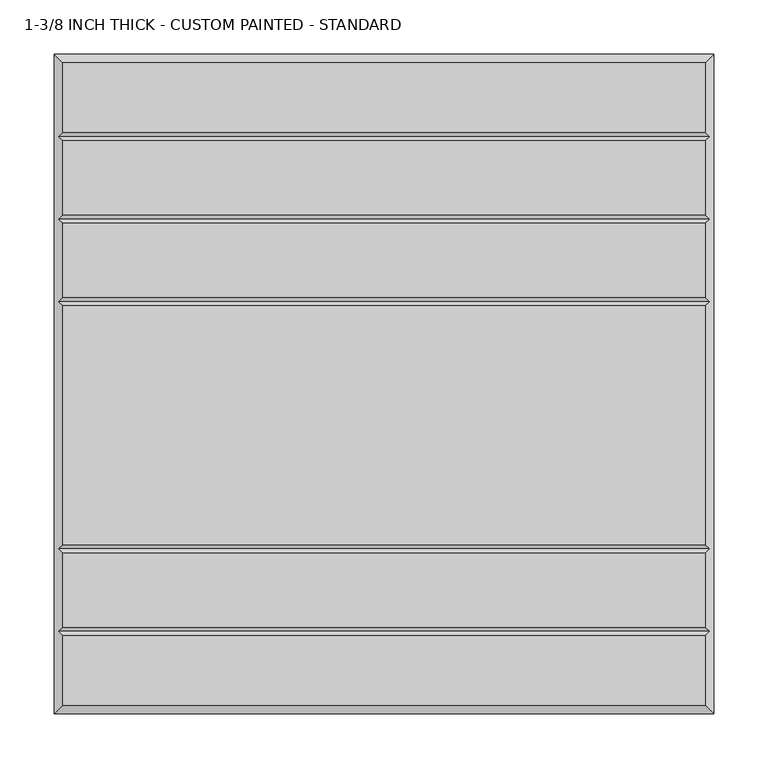
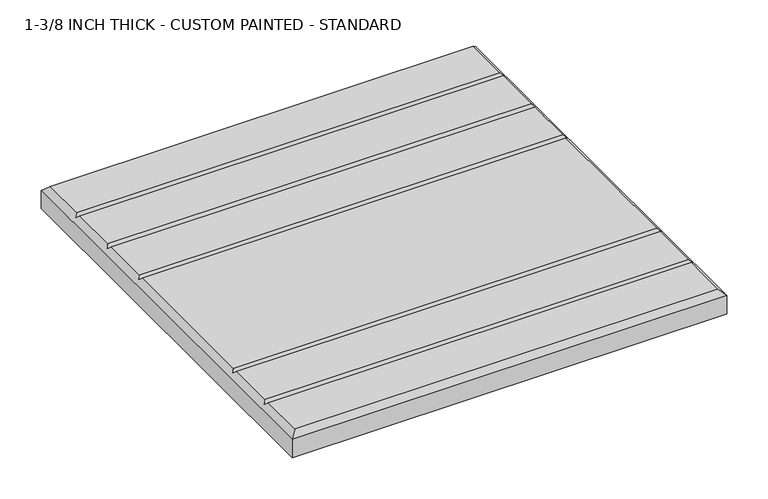
"""IFC4 building model written with IfcOpenShell, lengths in millimetres: proxy geometry, 1-3/8 INCH THICK - CUSTOM PAINTED - STANDARD."""

import ifcopenshell
import ifcopenshell.guid

model = None  # the IFC model being written
_history = None  # IfcOwnerHistory: only IFC2X3 demands one
_inside = {}  # id of a spatial element -> (the spatial element, [elements in it])
_under = {}  # id of a project, library or spatial element -> (it, [spatial elements below it])
_declared = {}  # id of a project -> (the project, [libraries it declares])
_typed = {}  # id of a type object -> (the type object, [elements of that type])
_made_of = {}  # id of a material, layer set ... -> (it, [elements and type objects made of it])


def new_model(schema):
    """Start an empty IFC model of exactly this schema.

    Asked for "IFC4X3", IfcOpenShell would pick the latest addendum, in which some entities
    have other attributes; the version numbers below select the first issue.
    IFC2X3 requires an IfcOwnerHistory on every rooted entity: one is made here for all.
    """
    global model, _history
    if schema == "IFC4X3":
        model = ifcopenshell.file(schema_version=(4, 3, 0, 0))
    else:
        model = ifcopenshell.file(schema=schema)
    _inside.clear()
    _under.clear()
    _declared.clear()
    _typed.clear()
    _made_of.clear()
    _history = None
    if model.schema == "IFC2X3":
        org = make("IfcOrganization", Name="unknown")
        user = make(
            "IfcPersonAndOrganization",
            ThePerson=make("IfcPerson", FamilyName="unknown"),
            TheOrganization=org,
        )
        app = make(
            "IfcApplication",
            ApplicationDeveloper=org,
            Version="unknown",
            ApplicationFullName="unknown",
            ApplicationIdentifier="unknown",
        )
        _history = make(
            "IfcOwnerHistory",
            OwningUser=user,
            OwningApplication=app,
            ChangeAction="ADDED",
            CreationDate=0,
        )
    return model


def make(cls, **values):
    """One entity of the class cls with the attributes given. An attribute that is None is left unset."""
    return model.create_entity(
        cls, **{name: value for name, value in values.items() if value is not None}
    )


def rooted(cls, **values):
    """An entity with a GlobalId (a new one), such as an element, a storey or a relation."""
    return make(cls, GlobalId=ifcopenshell.guid.new(), OwnerHistory=_history, **values)


def si_unit(unit_type, name, prefix=None):
    """IfcSIUnit, for example si_unit("LENGTHUNIT", "METRE", prefix="MILLI")."""
    return make("IfcSIUnit", UnitType=unit_type, Prefix=prefix, Name=name)


def assignment(units):
    """IfcUnitAssignment: the units of a project."""
    return None if units is None else make("IfcUnitAssignment", Units=units)


def point(xyz):
    """IfcCartesianPoint."""
    return None if xyz is None else make("IfcCartesianPoint", Coordinates=xyz)


def direction(xyz):
    """IfcDirection."""
    return None if xyz is None else make("IfcDirection", DirectionRatios=xyz)


def frame(location, z_axis=None, x_axis=None):
    """IfcAxis2Placement3D, a coordinate frame: its origin and axes. An axis left out is left unset."""
    return make(
        "IfcAxis2Placement3D",
        Location=point(location),
        Axis=direction(z_axis),
        RefDirection=direction(x_axis),
    )


def origin():
    """The frame at (0, 0, 0) with its axes left unset."""
    return frame((0.0, 0.0, 0.0))


def place(relative_to, where):
    """IfcLocalPlacement: puts the frame where relative to a parent placement (None: the world)."""
    return make(
        "IfcLocalPlacement", PlacementRelTo=relative_to, RelativePlacement=where
    )


def context(
    kind, dimensions, precision=None, world=None, true_north=None, identifier=None
):
    """IfcGeometricRepresentationContext, for example the 3D "Model" context."""
    return make(
        "IfcGeometricRepresentationContext",
        ContextIdentifier=identifier,
        ContextType=kind,
        CoordinateSpaceDimension=dimensions,
        Precision=precision,
        WorldCoordinateSystem=world,
        TrueNorth=true_north,
    )


def project(units=None, contexts=None):
    """IfcProject with its units and contexts."""
    return rooted(
        "IfcProject",
        Name="project",
        RepresentationContexts=contexts,
        UnitsInContext=assignment(units),
    )


def spatial(cls, under=None, at=None, **own):
    """A site, building, storey or space (cls), placed at a placement, below another one or the project."""
    s = rooted(cls, ObjectPlacement=at, **own)
    if under is not None:
        _under.setdefault(under.id(), (under, []))[1].append(s)
    return s


def faces_of(points, faces, orient=None, outer=None):
    """IfcFace entities. A face is a list of loops; a loop is a list of indices into points, from 0.

    orient and outer hold one flag for each loop. By default every Orientation is true, the
    first loop of a face is its IfcFaceOuterBound and the others are IfcFaceBound.
    """
    made = []
    for i, loops in enumerate(faces):
        bounds = []
        for j, loop in enumerate(loops):
            is_outer = j == 0 if outer is None else outer[i][j]
            bounds.append(
                make(
                    "IfcFaceOuterBound" if is_outer else "IfcFaceBound",
                    Bound=make("IfcPolyLoop", Polygon=[points[k] for k in loop]),
                    Orientation=True if orient is None else orient[i][j],
                )
            )
        made.append(make("IfcFace", Bounds=bounds))
    return made


def faceted_brep(points, faces, orient=None, outer=None, voids=None):
    """IfcFacetedBrep: a solid bounded by flat faces; with voids (closed shells), ...WithVoids."""
    shared = [point(p) for p in points]
    hull = make("IfcClosedShell", CfsFaces=faces_of(shared, faces, orient, outer))
    if voids is None:
        return make("IfcFacetedBrep", Outer=hull)
    return make(
        "IfcFacetedBrepWithVoids",
        Outer=hull,
        Voids=[
            make(cls, CfsFaces=faces_of(shared, fs, o, b)) for cls, fs, o, b in voids
        ],
    )


def shape(context_of_items, identifier, shape_type, items):
    """IfcShapeRepresentation: the items that make up one representation, for example the "Body"."""
    return make(
        "IfcShapeRepresentation",
        ContextOfItems=context_of_items,
        RepresentationIdentifier=identifier,
        RepresentationType=shape_type,
        Items=items,
    )


def source(mapping_origin, context_of_items, identifier, shape_type, items):
    """IfcRepresentationMap: a shape defined once, which mapped items show again and again."""
    return make(
        "IfcRepresentationMap",
        MappingOrigin=mapping_origin,
        MappedRepresentation=shape(context_of_items, identifier, shape_type, items),
    )


def transform(
    local_origin,
    x_axis=None,
    y_axis=None,
    z_axis=None,
    scale=None,
    scale2=None,
    scale3=None,
    uniform=True,
):
    """IfcCartesianTransformationOperator3D, or its non-uniform kind. x_axis, y_axis, z_axis: its Axis1, 2, 3."""
    if uniform:
        return make(
            "IfcCartesianTransformationOperator3D",
            Axis1=direction(x_axis),
            Axis2=direction(y_axis),
            LocalOrigin=point(local_origin),
            Scale=scale,
            Axis3=direction(z_axis),
        )
    return make(
        "IfcCartesianTransformationOperator3DnonUniform",
        Axis1=direction(x_axis),
        Axis2=direction(y_axis),
        LocalOrigin=point(local_origin),
        Scale=scale,
        Axis3=direction(z_axis),
        Scale2=scale2,
        Scale3=scale3,
    )


def mapped(mapping_source, mapping_target):
    """IfcMappedItem: shows the shape of a source again, moved by a transform."""
    return make(
        "IfcMappedItem", MappingSource=mapping_source, MappingTarget=mapping_target
    )


def made_of(thing, what):
    """Note that an element or type object is made of a material, layer set ...; save() writes the relation."""
    if what is not None:
        _made_of.setdefault(what.id(), (what, []))[1].append(thing)
    return thing


def element(
    cls,
    number,
    at=None,
    inside=None,
    cuts=None,
    type_object=None,
    material=None,
    context=None,
    identifier="Body",
    shape_type=None,
    held_by="IfcProductDefinitionShape",
    body=None,
    shapes=None,
    **own,
):
    """One element of the class cls, such as IfcWall. Its Tag is "e" and its number.

    at: its placement. inside: the storey or other place that contains it. cuts: it is an
    opening in that element (IfcRelVoidsElement). A single representation is given by context,
    identifier, shape_type and body (its items); several are given by shapes. held_by: the class
    of the entity that holds the representations. save() writes the other relations.
    """
    e = rooted(cls, Tag="e%d" % number, ObjectPlacement=at, **own)
    if body is not None:
        shapes = [shape(context, identifier, shape_type, body)]
    if shapes is not None:
        e.Representation = make(held_by, Representations=shapes)
    if inside is not None:
        _inside.setdefault(inside.id(), (inside, []))[1].append(e)
    if cuts is not None:
        rooted(
            "IfcRelVoidsElement", RelatingBuildingElement=cuts, RelatedOpeningElement=e
        )
    if type_object is not None:
        _typed.setdefault(type_object.id(), (type_object, []))[1].append(e)
    return made_of(e, material)


def aggregate(whole, parts):
    """IfcRelAggregates: a whole, such as a stair, and the parts it consists of."""
    return rooted("IfcRelAggregates", RelatingObject=whole, RelatedObjects=parts)


def save(model, path):
    """Write the relations noted so far, then the file.

    IfcRelAggregates (storeys below a building ...), IfcRelContainedInSpatialStructure (elements
    in a storey), IfcRelDefinesByType, IfcRelAssociatesMaterial and IfcRelDeclares: one each for
    every whole, place, type object, material and project.
    """
    for whole, parts in _under.values():
        aggregate(whole, parts)
    for where, things in _inside.values():
        rooted(
            "IfcRelContainedInSpatialStructure",
            RelatedElements=things,
            RelatingStructure=where,
        )
    for kind, things in _typed.values():
        rooted("IfcRelDefinesByType", RelatedObjects=things, RelatingType=kind)
    for what, things in _made_of.values():
        rooted("IfcRelAssociatesMaterial", RelatedObjects=things, RelatingMaterial=what)
    for by, libraries in _declared.values():
        rooted("IfcRelDeclares", RelatingContext=by, RelatedDefinitions=libraries)
    model.write(path)


def proxy_1_3_8_inch_thick_custom_painted_standard_13a920ed(model_context):
    return source(origin(), model_context, "Body", "Brep", [
        faceted_brep([(296.799, 296.799, 34.925), (-296.799, 296.799, 34.925), (-296.799, 232.6005, 34.925), (296.799, 232.6005, 34.925), (-296.799, -296.799, 34.925), (296.799, -296.799, 34.925), (296.799, -232.6005, 34.925), (-296.799, -232.6005, 34.925), (296.799, 148.3995, 34.925), (-296.799, 148.3995, 34.925), (-296.799, 80.2005, 34.925), (296.799, 80.2005, 34.925), (-296.799, 156.4005, 34.925), (296.799, 156.4005, 34.925), (296.799, 224.5995, 34.925), (-296.799, 224.5995, 34.925), (296.799, 72.1995, 34.925), (-296.799, 72.1995, 34.925), (-296.799, -148.3995, 34.925), (296.799, -148.3995, 34.925), (296.799, -156.4005, 34.925), (-296.799, -156.4005, 34.925), (-296.799, -224.5995, 34.925), (296.799, -224.5995, 34.925), (-304.8, 304.8, 0.0), (304.8, 304.8, 0.0), (304.8, -304.8, 0.0), (-304.8, -304.8, 0.0), (-304.8, -304.8, 26.924), (-304.8, 304.8, 26.924), (304.8, -304.8, 26.924), (304.8, 304.8, 26.924), (-300.7995, -228.6, 30.9245), (-300.7995, -152.4, 30.9245), (-300.7995, 76.2, 30.9245), (-300.7995, 152.4, 30.9245), (-300.7995, 228.6, 30.9245), (300.7995, 228.6, 30.9245), (300.7995, 152.4, 30.9245), (300.7995, 76.2, 30.9245), (300.7995, -152.4, 30.9245), (300.7995, -228.6, 30.9245)], [[[0, 1, 2, 3]], [[4, 5, 6, 7]], [[8, 9, 10, 11]], [[12, 13, 14, 15]], [[16, 17, 18, 19]], [[20, 21, 22, 23]], [[24, 25, 26, 27]], [[24, 27, 28, 29]], [[27, 26, 30, 28]], [[26, 25, 31, 30]], [[25, 24, 29, 31]], [[29, 1, 0, 31]], [[1, 29, 28, 4, 7, 32, 22, 21, 33, 18, 17, 34, 10, 9, 35, 12, 15, 36, 2]], [[4, 28, 30, 5]], [[31, 0, 3, 37, 14, 13, 38, 8, 11, 39, 16, 19, 40, 20, 23, 41, 6, 5, 30]], [[38, 35, 9, 8]], [[35, 38, 13, 12]], [[39, 34, 17, 16]], [[34, 39, 11, 10]], [[40, 33, 21, 20]], [[33, 40, 19, 18]], [[41, 32, 7, 6]], [[32, 41, 23, 22]], [[37, 36, 15, 14]], [[36, 37, 3, 2]]]),
    ])


if __name__ == "__main__":
    model = new_model("IFC4")
    model_context = context("Model", 3, world=origin())
    ifc_project = project(units=[si_unit("LENGTHUNIT", "METRE", prefix="MILLI")], contexts=[model_context])
    site = spatial("IfcSite", under=ifc_project)
    building = spatial("IfcBuilding", under=site)
    placement = place(None, origin())
    proxy_1_3_8_inch_thick_custom_painted_standard_shape = proxy_1_3_8_inch_thick_custom_painted_standard_13a920ed(model_context)
    element("IfcBuildingElementProxy", 1, Name="1-3/8 INCH THICK - CUSTOM PAINTED - STANDARD", ObjectType="1-3/8 INCH THICK - CUSTOM PAINTED - STANDARD", at=placement, inside=building, context=model_context, shape_type="MappedRepresentation", body=[
        mapped(proxy_1_3_8_inch_thick_custom_painted_standard_shape, transform((0.0, 0.0, 0.0), x_axis=(1.0, 0.0, 0.0), y_axis=(0.0, 1.0, 0.0), z_axis=(0.0, 0.0, 1.0))),
    ])
    save(model, "model.ifc")
